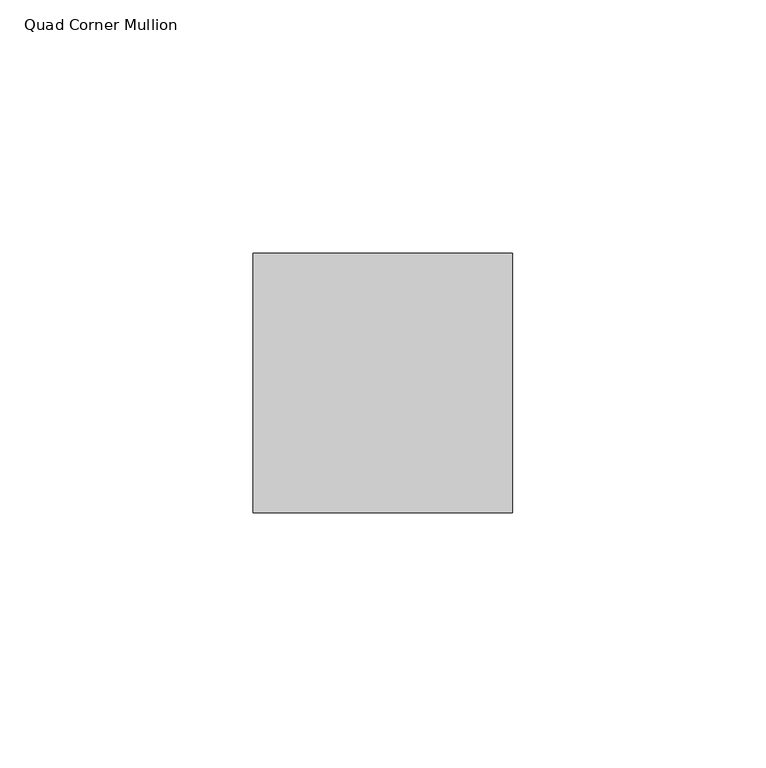
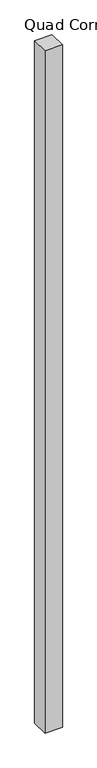
"""IFC4 building model written with IfcOpenShell, lengths in millimetres: member geometry, Quad Corner Mullion."""

from ifc_helpers import new_model, si_unit, frame, origin, place, context, project, spatial, polyline, outline, extrude, source, transform, mapped, element, save


def quad_corner_mullion_d176bacf(model_context):
    return source(origin(), model_context, "Body", "SweptSolid", [
        extrude(outline(polyline([(12.7496094, -38.5464844), (-38.5464844, -38.5464844), (-38.5464844, 12.7496094), (12.7496094, 12.7496094), (12.7496094, -38.5464844)])), frame((0.0, 0.0, -2113.59299), z_axis=(0.0, 0.0, 1.0), x_axis=(1.0, 0.0, 0.0)), (0.0, 0.0, 1.0), 2113.59299),
    ])


if __name__ == "__main__":
    model = new_model("IFC4")
    model_context = context("Model", 3, world=origin())
    ifc_project = project(units=[si_unit("LENGTHUNIT", "METRE", prefix="MILLI")], contexts=[model_context])
    site = spatial("IfcSite", under=ifc_project)
    building = spatial("IfcBuilding", under=site)
    placement = place(None, origin())
    quad_corner_mullion_shape = quad_corner_mullion_d176bacf(model_context)
    element("IfcMember", 1, ObjectType="Quad Corner Mullion", at=placement, inside=building, context=model_context, shape_type="MappedRepresentation", body=[
        mapped(quad_corner_mullion_shape, transform((0.0, 0.0, 0.0), x_axis=(1.0, 0.0, 0.0), y_axis=(0.0, 1.0, 0.0), z_axis=(0.0, 0.0, 1.0))),
    ])
    save(model, "model.ifc")
